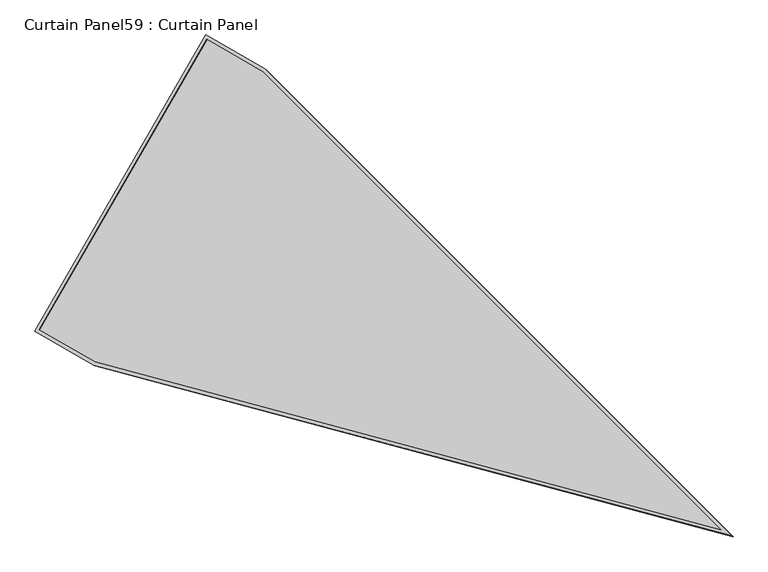
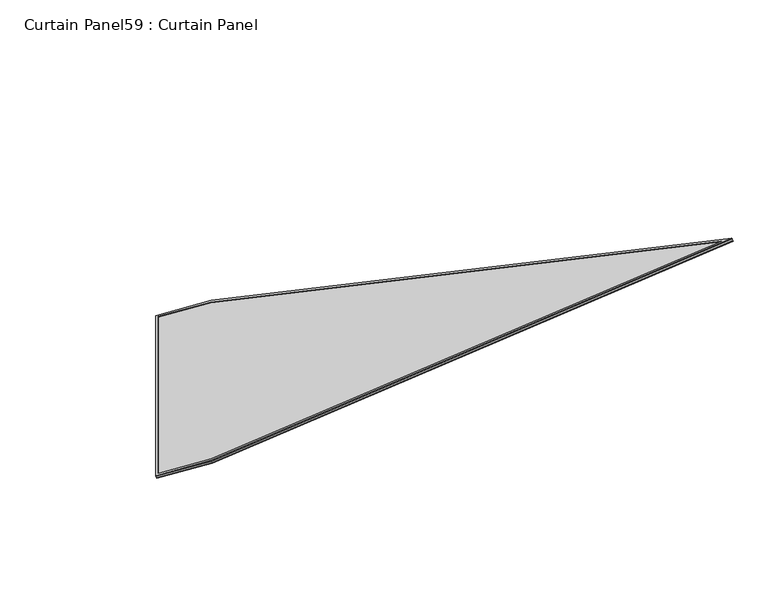
"""IFC4 building model written with IfcOpenShell, lengths in millimetres: plate geometry, Curtain Panel59 : Curtain Panel."""

import ifcopenshell
import ifcopenshell.guid

model = None  # the IFC model being written
_history = None  # IfcOwnerHistory: only IFC2X3 demands one
_inside = {}  # id of a spatial element -> (the spatial element, [elements in it])
_under = {}  # id of a project, library or spatial element -> (it, [spatial elements below it])
_declared = {}  # id of a project -> (the project, [libraries it declares])
_typed = {}  # id of a type object -> (the type object, [elements of that type])
_made_of = {}  # id of a material, layer set ... -> (it, [elements and type objects made of it])


def new_model(schema):
    """Start an empty IFC model of exactly this schema.

    Asked for "IFC4X3", IfcOpenShell would pick the latest addendum, in which some entities
    have other attributes; the version numbers below select the first issue.
    IFC2X3 requires an IfcOwnerHistory on every rooted entity: one is made here for all.
    """
    global model, _history
    if schema == "IFC4X3":
        model = ifcopenshell.file(schema_version=(4, 3, 0, 0))
    else:
        model = ifcopenshell.file(schema=schema)
    _inside.clear()
    _under.clear()
    _declared.clear()
    _typed.clear()
    _made_of.clear()
    _history = None
    if model.schema == "IFC2X3":
        org = make("IfcOrganization", Name="unknown")
        user = make(
            "IfcPersonAndOrganization",
            ThePerson=make("IfcPerson", FamilyName="unknown"),
            TheOrganization=org,
        )
        app = make(
            "IfcApplication",
            ApplicationDeveloper=org,
            Version="unknown",
            ApplicationFullName="unknown",
            ApplicationIdentifier="unknown",
        )
        _history = make(
            "IfcOwnerHistory",
            OwningUser=user,
            OwningApplication=app,
            ChangeAction="ADDED",
            CreationDate=0,
        )
    return model


def make(cls, **values):
    """One entity of the class cls with the attributes given. An attribute that is None is left unset."""
    return model.create_entity(
        cls, **{name: value for name, value in values.items() if value is not None}
    )


def rooted(cls, **values):
    """An entity with a GlobalId (a new one), such as an element, a storey or a relation."""
    return make(cls, GlobalId=ifcopenshell.guid.new(), OwnerHistory=_history, **values)


def si_unit(unit_type, name, prefix=None):
    """IfcSIUnit, for example si_unit("LENGTHUNIT", "METRE", prefix="MILLI")."""
    return make("IfcSIUnit", UnitType=unit_type, Prefix=prefix, Name=name)


def assignment(units):
    """IfcUnitAssignment: the units of a project."""
    return None if units is None else make("IfcUnitAssignment", Units=units)


def point(xyz):
    """IfcCartesianPoint."""
    return None if xyz is None else make("IfcCartesianPoint", Coordinates=xyz)


def direction(xyz):
    """IfcDirection."""
    return None if xyz is None else make("IfcDirection", DirectionRatios=xyz)


def frame(location, z_axis=None, x_axis=None):
    """IfcAxis2Placement3D, a coordinate frame: its origin and axes. An axis left out is left unset."""
    return make(
        "IfcAxis2Placement3D",
        Location=point(location),
        Axis=direction(z_axis),
        RefDirection=direction(x_axis),
    )


def origin():
    """The frame at (0, 0, 0) with its axes left unset."""
    return frame((0.0, 0.0, 0.0))


def place(relative_to, where):
    """IfcLocalPlacement: puts the frame where relative to a parent placement (None: the world)."""
    return make(
        "IfcLocalPlacement", PlacementRelTo=relative_to, RelativePlacement=where
    )


def context(
    kind, dimensions, precision=None, world=None, true_north=None, identifier=None
):
    """IfcGeometricRepresentationContext, for example the 3D "Model" context."""
    return make(
        "IfcGeometricRepresentationContext",
        ContextIdentifier=identifier,
        ContextType=kind,
        CoordinateSpaceDimension=dimensions,
        Precision=precision,
        WorldCoordinateSystem=world,
        TrueNorth=true_north,
    )


def project(units=None, contexts=None):
    """IfcProject with its units and contexts."""
    return rooted(
        "IfcProject",
        Name="project",
        RepresentationContexts=contexts,
        UnitsInContext=assignment(units),
    )


def spatial(cls, under=None, at=None, **own):
    """A site, building, storey or space (cls), placed at a placement, below another one or the project."""
    s = rooted(cls, ObjectPlacement=at, **own)
    if under is not None:
        _under.setdefault(under.id(), (under, []))[1].append(s)
    return s


def polyline(points):
    """IfcPolyline through the points."""
    return make("IfcPolyline", Points=[point(p) for p in points])


def outline(outer, holes=None, kind="AREA"):
    """IfcArbitraryClosedProfileDef: a profile drawn as a closed curve; with holes, ...WithVoids."""
    if holes is None:
        return make("IfcArbitraryClosedProfileDef", ProfileType=kind, OuterCurve=outer)
    return make(
        "IfcArbitraryProfileDefWithVoids",
        ProfileType=kind,
        OuterCurve=outer,
        InnerCurves=holes,
    )


def extrude(swept, where, along, depth):
    """IfcExtrudedAreaSolid: the profile swept, set in the frame where, extruded along a direction by depth."""
    return make(
        "IfcExtrudedAreaSolid",
        SweptArea=swept,
        Position=where,
        ExtrudedDirection=direction(along),
        Depth=depth,
    )


def shape(context_of_items, identifier, shape_type, items):
    """IfcShapeRepresentation: the items that make up one representation, for example the "Body"."""
    return make(
        "IfcShapeRepresentation",
        ContextOfItems=context_of_items,
        RepresentationIdentifier=identifier,
        RepresentationType=shape_type,
        Items=items,
    )


def source(mapping_origin, context_of_items, identifier, shape_type, items):
    """IfcRepresentationMap: a shape defined once, which mapped items show again and again."""
    return make(
        "IfcRepresentationMap",
        MappingOrigin=mapping_origin,
        MappedRepresentation=shape(context_of_items, identifier, shape_type, items),
    )


def transform(
    local_origin,
    x_axis=None,
    y_axis=None,
    z_axis=None,
    scale=None,
    scale2=None,
    scale3=None,
    uniform=True,
):
    """IfcCartesianTransformationOperator3D, or its non-uniform kind. x_axis, y_axis, z_axis: its Axis1, 2, 3."""
    if uniform:
        return make(
            "IfcCartesianTransformationOperator3D",
            Axis1=direction(x_axis),
            Axis2=direction(y_axis),
            LocalOrigin=point(local_origin),
            Scale=scale,
            Axis3=direction(z_axis),
        )
    return make(
        "IfcCartesianTransformationOperator3DnonUniform",
        Axis1=direction(x_axis),
        Axis2=direction(y_axis),
        LocalOrigin=point(local_origin),
        Scale=scale,
        Axis3=direction(z_axis),
        Scale2=scale2,
        Scale3=scale3,
    )


def mapped(mapping_source, mapping_target):
    """IfcMappedItem: shows the shape of a source again, moved by a transform."""
    return make(
        "IfcMappedItem", MappingSource=mapping_source, MappingTarget=mapping_target
    )


def made_of(thing, what):
    """Note that an element or type object is made of a material, layer set ...; save() writes the relation."""
    if what is not None:
        _made_of.setdefault(what.id(), (what, []))[1].append(thing)
    return thing


def element(
    cls,
    number,
    at=None,
    inside=None,
    cuts=None,
    type_object=None,
    material=None,
    context=None,
    identifier="Body",
    shape_type=None,
    held_by="IfcProductDefinitionShape",
    body=None,
    shapes=None,
    **own,
):
    """One element of the class cls, such as IfcWall. Its Tag is "e" and its number.

    at: its placement. inside: the storey or other place that contains it. cuts: it is an
    opening in that element (IfcRelVoidsElement). A single representation is given by context,
    identifier, shape_type and body (its items); several are given by shapes. held_by: the class
    of the entity that holds the representations. save() writes the other relations.
    """
    e = rooted(cls, Tag="e%d" % number, ObjectPlacement=at, **own)
    if body is not None:
        shapes = [shape(context, identifier, shape_type, body)]
    if shapes is not None:
        e.Representation = make(held_by, Representations=shapes)
    if inside is not None:
        _inside.setdefault(inside.id(), (inside, []))[1].append(e)
    if cuts is not None:
        rooted(
            "IfcRelVoidsElement", RelatingBuildingElement=cuts, RelatedOpeningElement=e
        )
    if type_object is not None:
        _typed.setdefault(type_object.id(), (type_object, []))[1].append(e)
    return made_of(e, material)


def aggregate(whole, parts):
    """IfcRelAggregates: a whole, such as a stair, and the parts it consists of."""
    return rooted("IfcRelAggregates", RelatingObject=whole, RelatedObjects=parts)


def save(model, path):
    """Write the relations noted so far, then the file.

    IfcRelAggregates (storeys below a building ...), IfcRelContainedInSpatialStructure (elements
    in a storey), IfcRelDefinesByType, IfcRelAssociatesMaterial and IfcRelDeclares: one each for
    every whole, place, type object, material and project.
    """
    for whole, parts in _under.values():
        aggregate(whole, parts)
    for where, things in _inside.values():
        rooted(
            "IfcRelContainedInSpatialStructure",
            RelatedElements=things,
            RelatingStructure=where,
        )
    for kind, things in _typed.values():
        rooted("IfcRelDefinesByType", RelatedObjects=things, RelatingType=kind)
    for what, things in _made_of.values():
        rooted("IfcRelAssociatesMaterial", RelatedObjects=things, RelatingMaterial=what)
    for by, libraries in _declared.values():
        rooted("IfcRelDeclares", RelatingContext=by, RelatedDefinitions=libraries)
    model.write(path)


def curtain_panel59_curtain_panel_ab1205ab(model_context):
    return source(origin(), model_context, "Body", "SweptSolid", [
        extrude(outline(polyline([(847.432027, -3689.1827045), (-1e-07, -355.5429689), (0.0, 0.0), (1694.8442516, 0.0), (1694.8442516, -355.6208679), (847.432027, -3689.1827045)]), holes=[polyline([(1678.1814537, -16.6627979), (16.6627979, -16.6627979), (16.6627978, -353.4582275), (847.432027, -3621.5496201), (1678.1814537, -353.5361265), (1678.1814537, -16.6627979)])]), frame((8785.0032701, 2379.5341379, 1932.0971622), z_axis=(-0.2737903148616825, 0.15807291198690937, 0.948710608132912), x_axis=(0.5000000000000154, 0.8660254037844297, 0.0)), (0.0, 0.0, 1.0), 4.8362169),
        extrude(outline(polyline([(847.432027, -3689.1827044), (0.0, -355.5429689), (0.0, 0.0), (1694.8442516, 0.0), (1694.8442516, -355.6208679), (847.432027, -3689.1827044)]), holes=[polyline([(1684.5314537, -10.3127979), (10.3127979, -10.3127979), (10.3127979, -354.2526984), (847.432027, -3647.3238081), (1684.5314537, -354.3305974), (1684.5314537, -10.3127979)])]), frame((8789.8281505, 2376.7484919, 1915.3784729), z_axis=(-0.2737903148616764, 0.158072911986906, 0.9487106081329143), x_axis=(0.5000000000000159, 0.8660254037844296, 0.0)), (0.0, 0.0, 1.0), 4.7776723),
        extrude(outline(polyline([(12.7000001, 0.0), (1707.5442516, 0.0), (1707.5442516, -355.6208678), (860.132027, -3689.1827043), (12.7, -355.5429688), (12.7000001, 0.0)])), frame((8782.1700701, 2366.5051898, 1919.9111014), z_axis=(-0.2737903148616768, 0.1580729119869062, 0.9487106081329141), x_axis=(0.5000000000000109, 0.8660254037844325, 0.0)), (0.0, 0.0, 1.0), 12.8448662),
    ])


if __name__ == "__main__":
    model = new_model("IFC4")
    model_context = context("Model", 3, world=origin())
    ifc_project = project(units=[si_unit("LENGTHUNIT", "METRE", prefix="MILLI")], contexts=[model_context])
    site = spatial("IfcSite", under=ifc_project)
    building = spatial("IfcBuilding", under=site)
    placement = place(None, origin())
    curtain_panel59_curtain_panel_shape = curtain_panel59_curtain_panel_ab1205ab(model_context)
    element("IfcPlate", 1, ObjectType="Curtain Panel59 : Curtain Panel", at=placement, inside=building, context=model_context, shape_type="MappedRepresentation", body=[
        mapped(curtain_panel59_curtain_panel_shape, transform((0.0, 0.0, 0.0), x_axis=(1.0, 0.0, 0.0), y_axis=(0.0, 1.0, 0.0), z_axis=(0.0, 0.0, 1.0))),
    ])
    save(model, "model.ifc")
